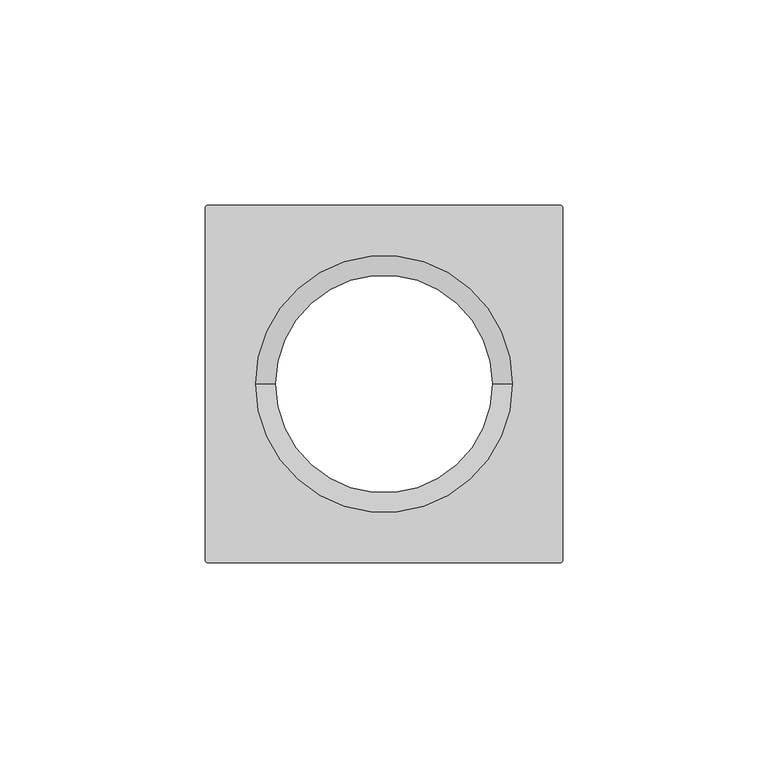
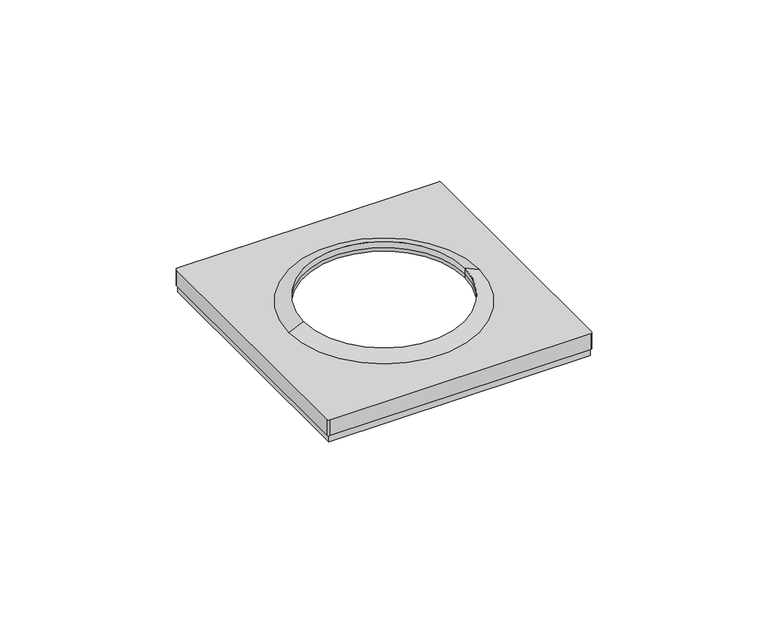
"""IFC4 building model written with IfcOpenShell, lengths in millimetres: proxy geometry."""

from ifc_helpers import new_model, si_unit, frame, origin, place, context, project, spatial, polyline, circle_curve, source, transform, mapped, element, save
from ifc_brep_helpers import plane_surface, cylinder_surface, revolved_surface, advanced_brep


def electrical_fixtures_3d756866(model_context):
    return source(origin(), model_context, "Body", "AdvancedBrep", [
        advanced_brep(
        [(-43.0, -43.0, 0.0), (-43.0, 43.0, 0.0), (43.0, 43.0, 0.0), (43.0, -43.0, 0.0), (-42.5, -42.5, 0.0), (42.5, -42.5, 0.0), (42.5, 42.5, 0.0), (-42.5, 42.5, 0.0), (43.0, -43.0, 2.5), (-43.0, -43.0, 2.5), (43.0, 43.0, 2.5), (-43.0, 43.0, 2.5), (26.5, 0.0, 6.7956384), (26.5, 0.0, 8.0076008), (-26.5, 0.0, 8.0076008), (-26.5, 0.0, 6.7956384), (-43.5, -42.9369707, 8.0076008), (-42.9369707, -43.5, 8.0076008), (42.9369707, -43.5, 8.0076008), (43.5, -42.9369707, 8.0076008), (43.5, 42.9369707, 8.0076008), (42.9369707, 43.5, 8.0076008), (-42.9369707, 43.5, 8.0076008), (-43.5, 42.9369707, 8.0076008), (-31.2841563, 0.0, 8.0076008), (31.2841563, 0.0, 8.0076008), (-43.5, -42.9369707, 2.5), (-43.5, 42.9369707, 2.5), (-42.9369707, 43.5, 2.5), (42.9369707, 43.5, 2.5), (43.5, 42.9369707, 2.5), (43.5, -42.9369707, 2.5), (42.9369707, -43.5, 2.5), (-42.9369707, -43.5, 2.5), (-26.5, 0.0, 10.1), (26.5, 0.0, 10.1), (42.5, 42.5, 6.7956384), (42.5, -42.5, 6.7956384), (-42.5, -42.5, 6.7956384), (-42.5, 42.5, 6.7956384)],
        [
            (0, 1),
            (1, 2),
            (2, 3),
            (3, 0),
            (4, 5),
            (5, 6),
            (6, 7),
            (7, 4),
            (3, 8),
            (8, 9),
            (9, 0),
            (2, 10),
            (10, 8),
            (1, 11),
            (11, 10),
            (9, 11),
            (12, 13),
            (13, 14, circle_curve(frame((0.0, 0.0, 8.0076008), z_axis=(0.0, 0.0, 1.0), x_axis=(-1.0, 0.0, 0.0)), 26.5)),
            (14, 15),
            (15, 12, circle_curve(frame((0.0, 0.0, 6.7956384), z_axis=(0.0, 0.0, -1.0), x_axis=(-1.0, 0.0, 0.0)), 26.5)),
            (12, 15, circle_curve(frame((0.0, 0.0, 6.7956384), z_axis=(0.0, 0.0, -1.0), x_axis=(-1.0, 0.0, 0.0)), 26.5)),
            (14, 13, circle_curve(frame((0.0, 0.0, 8.0076008), z_axis=(0.0, 0.0, 1.0), x_axis=(-1.0, 0.0, 0.0)), 26.5)),
            (16, 17, circle_curve(frame((-42.9369707, -42.9369707, 8.0076008), z_axis=(0.0, 0.0, 1.0), x_axis=(1.0, 0.0, 0.0)), 0.5630293)),
            (17, 18),
            (18, 19, circle_curve(frame((42.9369707, -42.9369707, 8.0076008), z_axis=(0.0, 0.0, 1.0), x_axis=(-1.0, 0.0, 0.0)), 0.5630293)),
            (19, 20),
            (20, 21, circle_curve(frame((42.9369707, 42.9369707, 8.0076008), z_axis=(0.0, 0.0, 1.0), x_axis=(-1.0, 0.0, 0.0)), 0.5630293)),
            (21, 22),
            (22, 23, circle_curve(frame((-42.9369707, 42.9369707, 8.0076008), z_axis=(0.0, 0.0, 1.0), x_axis=(1.0, 0.0, 0.0)), 0.5630293)),
            (23, 16),
            (24, 25, circle_curve(frame((0.0, 0.0, 8.0076008), z_axis=(0.0, 0.0, -1.0), x_axis=(-1.0, 0.0, 0.0)), 31.2841563)),
            (25, 24, circle_curve(frame((0.0, 0.0, 8.0076008), z_axis=(0.0, 0.0, -1.0), x_axis=(-1.0, 0.0, 0.0)), 31.2841563)),
            (26, 27),
            (27, 28, circle_curve(frame((-42.9369707, 42.9369707, 2.5), z_axis=(0.0, 0.0, -1.0), x_axis=(1.0, 0.0, 0.0)), 0.5630293)),
            (28, 29),
            (29, 30, circle_curve(frame((42.9369707, 42.9369707, 2.5), z_axis=(0.0, 0.0, -1.0), x_axis=(-1.0, 0.0, 0.0)), 0.5630293)),
            (30, 31),
            (31, 32, circle_curve(frame((42.9369707, -42.9369707, 2.5), z_axis=(0.0, 0.0, -1.0), x_axis=(-1.0, 0.0, 0.0)), 0.5630293)),
            (32, 33),
            (33, 26, circle_curve(frame((-42.9369707, -42.9369707, 2.5), z_axis=(0.0, 0.0, -1.0), x_axis=(1.0, 0.0, 0.0)), 0.5630293)),
            (16, 26),
            (33, 17),
            (32, 18),
            (31, 19),
            (30, 20),
            (29, 21),
            (28, 22),
            (27, 23),
            (24, 34),
            (34, 35, circle_curve(frame((0.0, 0.0, 10.1), z_axis=(0.0, 0.0, -1.0), x_axis=(-1.0, 0.0, 0.0)), 26.5)),
            (35, 25),
            (35, 34, circle_curve(frame((0.0, 0.0, 10.1), z_axis=(0.0, 0.0, -1.0), x_axis=(-1.0, 0.0, 0.0)), 26.5)),
            (34, 14),
            (13, 35),
            (36, 37),
            (37, 38),
            (38, 39),
            (39, 36),
            (39, 7),
            (6, 36),
            (38, 4),
            (37, 5),
        ],
        [
            plane_surface(frame((-43.0003046, -43.0, 0.0), z_axis=(0.0, 0.0, -1.0), x_axis=(-1.0, 0.0, 0.0))),
            plane_surface(frame((-43.0, -43.0, 2.5), z_axis=(0.0, -1.0, 0.0), x_axis=(0.0, 0.0, -1.0))),
            plane_surface(frame((43.0, -43.0, 2.5), z_axis=(1.0, 0.0, 0.0), x_axis=(0.0, 0.0, -1.0))),
            plane_surface(frame((43.0, 43.0, 2.5), z_axis=(0.0, 1.0, 0.0), x_axis=(0.0, 0.0, -1.0))),
            plane_surface(frame((-43.0, 43.0, 2.5), z_axis=(-1.0, 0.0, 0.0), x_axis=(0.0, 0.0, -1.0))),
            revolved_surface(polyline([(-26.5, 0.0, 8.0076008), (-26.5, 0.0, 6.7956384)]), (0.0, 0.0, 0.0), (0.0, 0.0, 1.0)),
            plane_surface(frame((-42.3739414, -42.9369707, 8.0076008), z_axis=(0.0, 0.0, 1.0), x_axis=(0.0, 1.0, 0.0))),
            plane_surface(frame((-42.3739414, -42.9369707, 2.5), z_axis=(0.0, 0.0, -1.0), x_axis=(0.0, -1.0, 0.0))),
            cylinder_surface(frame((-42.9369707, -42.9369707, 2.5), z_axis=(0.0, 0.0, 1.0), x_axis=(1.0, 0.0, 0.0)), 0.5630293),
            plane_surface(frame((-42.9369707, -43.5, 8.0076008), z_axis=(0.0, -1.0, 0.0), x_axis=(0.0, 0.0, -1.0))),
            cylinder_surface(frame((42.9369707, -42.9369707, 2.5), z_axis=(0.0, 0.0, 1.0), x_axis=(-1.0, 0.0, 0.0)), 0.5630293),
            plane_surface(frame((43.5, -42.9369707, 8.0076008), z_axis=(1.0, 0.0, 0.0), x_axis=(0.0, 0.0, -1.0))),
            cylinder_surface(frame((42.9369707, 42.9369707, 2.5), z_axis=(0.0, 0.0, 1.0), x_axis=(-1.0, 0.0, 0.0)), 0.5630293),
            plane_surface(frame((42.9369707, 43.5, 8.0076008), z_axis=(0.0, 1.0, 0.0), x_axis=(0.0, 0.0, -1.0))),
            cylinder_surface(frame((-42.9369707, 42.9369707, 2.5), z_axis=(0.0, 0.0, 1.0), x_axis=(1.0, 0.0, 0.0)), 0.5630293),
            plane_surface(frame((-43.5, 42.9369707, 8.0076008), z_axis=(-1.0, 0.0, 0.0), x_axis=(0.0, 0.0, -1.0))),
            revolved_surface(polyline([(-26.5, 0.0, 10.1), (-31.2841563, 0.0, 8.0076008)]), (0.0, 0.0, 2609.0581012), (0.0, 0.0, -1.0)),
            revolved_surface(polyline([(-26.5, 0.0, 8.007600800000091), (-26.5, 0.0, 10.099999999999909)]), (0.0, 0.0, 2609.0581012), (0.0, 0.0, -1.0)),
            plane_surface(frame((-42.5, 42.5, 6.7956384), z_axis=(0.0, 0.0, -1.0), x_axis=(-1.0, 0.0, 0.0))),
            plane_surface(frame((42.5, 42.5, 6.7956384), z_axis=(0.0, -1.0, 0.0), x_axis=(0.0, 0.0, -1.0))),
            plane_surface(frame((-42.5, 42.5, 6.7956384), z_axis=(1.0, 0.0, 0.0), x_axis=(0.0, 0.0, -1.0))),
            plane_surface(frame((-42.5, -42.5, 6.7956384), z_axis=(0.0, 1.0, 0.0), x_axis=(0.0, 0.0, -1.0))),
            plane_surface(frame((42.5, -42.5, 6.7956384), z_axis=(-1.0, 0.0, 0.0), x_axis=(0.0, 0.0, -1.0))),
        ],
        [
            (0, [[1, 2, 3, 4], [5, 6, 7, 8]]),
            (1, [[-4, 9, 10, 11]]),
            (2, [[-3, 12, 13, -9]]),
            (3, [[-2, 14, 15, -12]]),
            (4, [[-1, -11, 16, -14]]),
            (5, [[17, 18, 19, 20]]),
            (5, [[-17, 21, -19, 22]]),
            (6, [[23, 24, 25, 26, 27, 28, 29, 30], [31, 32]]),
            (7, [[33, 34, 35, 36, 37, 38, 39, 40], [-10, -13, -15, -16]]),
            (8, [[-23, 41, -40, 42]]),
            (9, [[-24, -42, -39, 43]]),
            (10, [[-25, -43, -38, 44]]),
            (11, [[-26, -44, -37, 45]]),
            (12, [[-27, -45, -36, 46]]),
            (13, [[-28, -46, -35, 47]]),
            (14, [[-29, -47, -34, 48]]),
            (15, [[-30, -48, -33, -41]]),
            (16, [[49, 50, 51, -31]]),
            (16, [[-49, -32, -51, 52]]),
            (17, [[-50, 53, -18, 54]]),
            (17, [[-52, -54, -22, -53]]),
            (18, [[55, 56, 57, 58], [-20, -21]]),
            (19, [[-58, 59, -7, 60]]),
            (20, [[-57, 61, -8, -59]]),
            (21, [[-56, 62, -5, -61]]),
            (22, [[-55, -60, -6, -62]]),
        ],
    ),
    ])


if __name__ == "__main__":
    model = new_model("IFC4")
    model_context = context("Model", 3, world=origin())
    ifc_project = project(units=[si_unit("LENGTHUNIT", "METRE", prefix="MILLI")], contexts=[model_context])
    site = spatial("IfcSite", under=ifc_project)
    building = spatial("IfcBuilding", under=site)
    placement = place(None, origin())
    electrical_fixtures_shape = electrical_fixtures_3d756866(model_context)
    element("IfcBuildingElementProxy", 1, Name="Electrical Fixtures", at=placement, inside=building, context=model_context, shape_type="MappedRepresentation", body=[
        mapped(electrical_fixtures_shape, transform((0.0, 0.0, 0.0), x_axis=(1.0, 0.0, 0.0), y_axis=(0.0, 1.0, 0.0), z_axis=(0.0, 0.0, 1.0))),
    ])
    save(model, "model.ifc")
